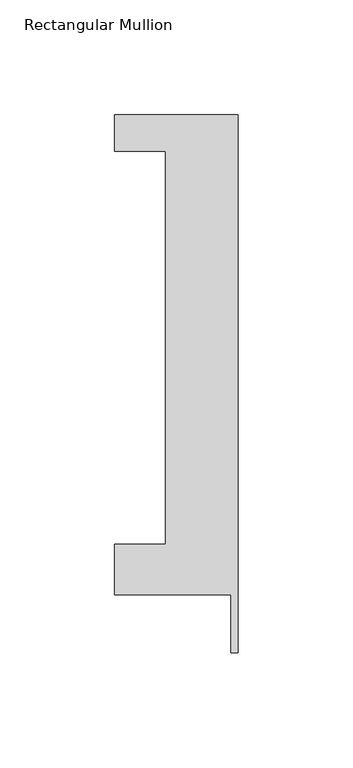
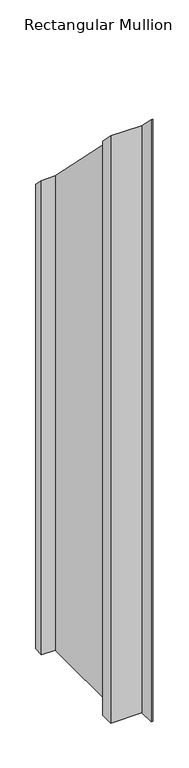
"""IFC4 building model written with IfcOpenShell, lengths in millimetres: member geometry, Rectangular Mullion."""

from ifc_helpers import new_model, si_unit, origin, place, context, project, spatial, faceted_brep, source, transform, mapped, element, save


def rectangular_mullion_3e148047(model_context):
    return source(origin(), model_context, "Body", "Brep", [
        faceted_brep([(-53.975, 221.996, -1016.0), (0.0, 221.996, -1016.0), (0.0, -12.7, -1016.0), (-3.175, -12.7, -1016.0), (-3.175, 12.7, -1016.0), (-53.975, 12.7, -1016.0), (-53.975, 34.671, -1016.0), (-31.75, 34.671, -1016.0), (-31.75, 206.121, -1016.0), (-53.975, 206.121, -1016.0), (-53.975, 206.121, -206.121), (-53.975, 221.996, -221.996), (-31.75, 206.121, -206.121), (-31.75, 34.671, -34.671), (-53.975, 34.671, -34.671), (-53.975, 12.7, -12.7), (-3.175, 12.7, -12.7), (-3.175, -12.7, 12.7), (0.0, -12.7, 12.7), (0.0, 221.996, -221.996)], [[[0, 1, 2, 3, 4, 5, 6, 7, 8, 9]], [[10, 11, 0, 9]], [[12, 10, 9, 8]], [[13, 12, 8, 7]], [[14, 13, 7, 6]], [[15, 14, 6, 5]], [[16, 15, 5, 4]], [[17, 16, 4, 3]], [[18, 17, 3, 2]], [[19, 18, 2, 1]], [[11, 19, 1, 0]], [[11, 10, 12, 13, 14, 15, 16, 17, 18, 19]]]),
    ])


if __name__ == "__main__":
    model = new_model("IFC4")
    model_context = context("Model", 3, world=origin())
    ifc_project = project(units=[si_unit("LENGTHUNIT", "METRE", prefix="MILLI")], contexts=[model_context])
    site = spatial("IfcSite", under=ifc_project)
    building = spatial("IfcBuilding", under=site)
    placement = place(None, origin())
    rectangular_mullion_shape = rectangular_mullion_3e148047(model_context)
    element("IfcMember", 1, ObjectType="Rectangular Mullion", at=placement, inside=building, context=model_context, shape_type="MappedRepresentation", body=[
        mapped(rectangular_mullion_shape, transform((0.0, 0.0, 0.0), x_axis=(1.0, 0.0, 0.0), y_axis=(0.0, 1.0, 0.0), z_axis=(0.0, 0.0, 1.0))),
    ])
    save(model, "model.ifc")
